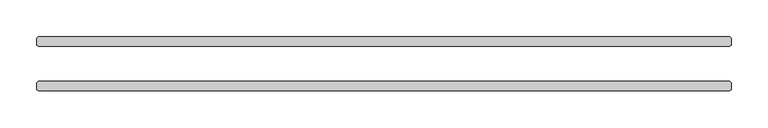
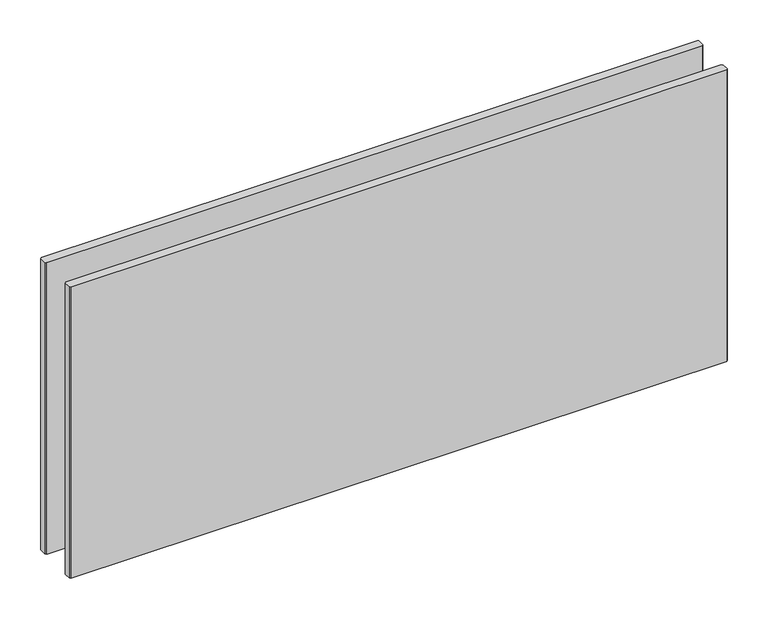
"""IFC4 building model written with IfcOpenShell, lengths in millimetres: plate geometry."""

from ifc_helpers import new_model, si_unit, origin, origin_with_axes, place, context, project, spatial, polyline, outline, extrude, source, transform, mapped, element, save


def plate_1d4dfa54(model_context):
    return source(origin(), model_context, "Body", "SweptSolid", [
        extrude(outline(polyline([(469.10625, -23.8125), (470.69375, -25.4), (470.69375, -34.925), (469.10625, -36.5125), (-469.10625, -36.5125), (-470.69375, -34.925), (-470.69375, -25.4), (-469.10625, -23.8125), (469.10625, -23.8125)])), origin_with_axes(), (0.0, 0.0, 1.0), 441.2289267),
        extrude(outline(polyline([(469.10625, 36.5125), (470.69375, 34.925), (470.69375, 25.4), (469.10625, 23.8125), (-469.10625, 23.8125), (-470.69375, 25.4), (-470.69375, 34.925), (-469.10625, 36.5125), (469.10625, 36.5125)])), origin_with_axes(), (0.0, 0.0, 1.0), 441.2289267),
    ])


if __name__ == "__main__":
    model = new_model("IFC4")
    model_context = context("Model", 3, world=origin())
    ifc_project = project(units=[si_unit("LENGTHUNIT", "METRE", prefix="MILLI")], contexts=[model_context])
    site = spatial("IfcSite", under=ifc_project)
    building = spatial("IfcBuilding", under=site)
    placement = place(None, origin())
    plate_shape = plate_1d4dfa54(model_context)
    element("IfcPlate", 1, at=placement, inside=building, context=model_context, shape_type="MappedRepresentation", body=[
        mapped(plate_shape, transform((0.0, 0.0, 0.0), x_axis=(1.0, 0.0, 0.0), y_axis=(0.0, 1.0, 0.0), z_axis=(0.0, 0.0, 1.0))),
    ])
    save(model, "model.ifc")
